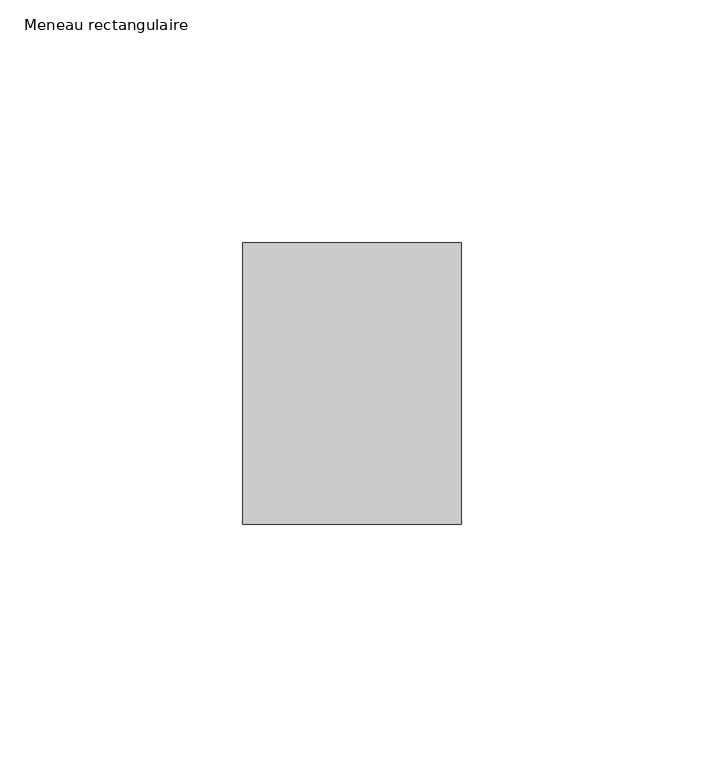
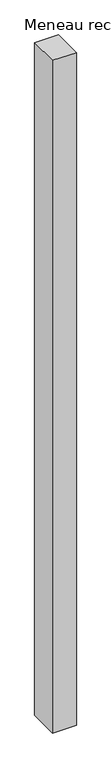
"""IFC4 building model written with IfcOpenShell, lengths in millimetres: member geometry, Meneau rectangulaire."""

from ifc_helpers import new_model, si_unit, frame, origin, place, context, project, spatial, polyline, outline, extrude, source, transform, mapped, element, save


def meneau_rectangulaire_81c3f2c9(model_context):
    return source(origin(), model_context, "Body", "SweptSolid", [
        extrude(outline(polyline([(-45.0, 29.0), (0.0, 29.0), (0.0, -29.0), (-45.0, -29.0), (-45.0, 29.0)])), frame((0.0, 0.0, -1339.8333332), z_axis=(0.0, 0.0, 1.0), x_axis=(1.0, 0.0, 0.0)), (0.0, 0.0, 1.0), 1339.8333332),
    ])


if __name__ == "__main__":
    model = new_model("IFC4")
    model_context = context("Model", 3, world=origin())
    ifc_project = project(units=[si_unit("LENGTHUNIT", "METRE", prefix="MILLI")], contexts=[model_context])
    site = spatial("IfcSite", under=ifc_project)
    building = spatial("IfcBuilding", under=site)
    placement = place(None, origin())
    meneau_rectangulaire_shape = meneau_rectangulaire_81c3f2c9(model_context)
    element("IfcMember", 1, ObjectType="Meneau rectangulaire", at=placement, inside=building, context=model_context, shape_type="MappedRepresentation", body=[
        mapped(meneau_rectangulaire_shape, transform((0.0, 0.0, 0.0), x_axis=(1.0, 0.0, 0.0), y_axis=(0.0, 1.0, 0.0), z_axis=(0.0, 0.0, 1.0))),
    ])
    save(model, "model.ifc")
